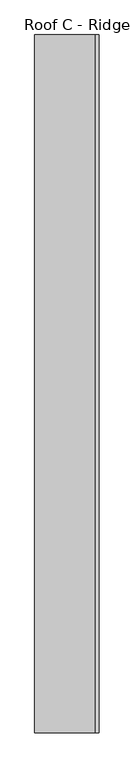
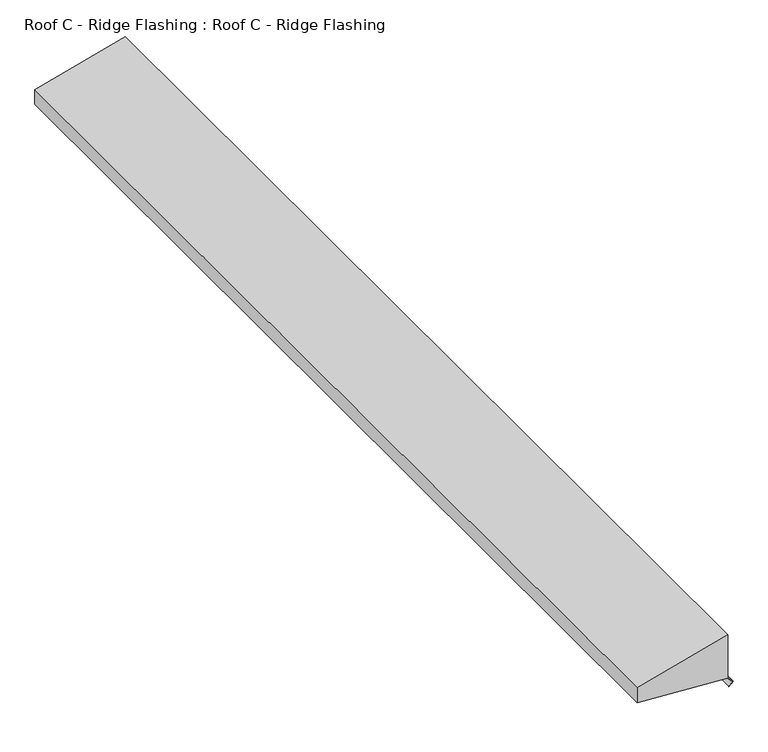
"""IFC4 building model written with IfcOpenShell, lengths in millimetres: proxy geometry, Roof C - Ridge Flashing : Roof C - Ridge Flashing."""

from ifc_helpers import new_model, si_unit, frame, origin, place, context, project, spatial, polyline, outline, extrude, source, transform, mapped, element, save


def roof_c_ridge_flashing_roof_c_ridge_flashing_330534bc(model_context):
    return source(origin(), model_context, "Body", "SweptSolid", [
        extrude(outline(polyline([(3967.9229545, 7331.4081038), (3905.4787487, 7098.363155), (3865.4787487, 7098.363155), (3850.5262936, 7330.4081038), (3836.7983716, 7344.1360259), (3826.8988766, 7334.2365309), (3826.1917698, 7334.9436377), (3836.7983716, 7345.5502394), (3850.9405072, 7331.4081038), (3967.9229545, 7331.4081038)])), frame((0.0, -2764.6928122, 0.0), z_axis=(0.0, 1.0, 0.0), x_axis=(0.0, 0.0, 1.0)), (0.0, 0.0, 1.0), 2685.4270476),
    ])


if __name__ == "__main__":
    model = new_model("IFC4")
    model_context = context("Model", 3, world=origin())
    ifc_project = project(units=[si_unit("LENGTHUNIT", "METRE", prefix="MILLI")], contexts=[model_context])
    site = spatial("IfcSite", under=ifc_project)
    building = spatial("IfcBuilding", under=site)
    placement = place(None, origin())
    roof_c_ridge_flashing_roof_c_ridge_flashing_shape = roof_c_ridge_flashing_roof_c_ridge_flashing_330534bc(model_context)
    element("IfcBuildingElementProxy", 1, Name="Roof C - Ridge Flashing : Roof C - Ridge Flashing", ObjectType="Roof C - Ridge Flashing : Roof C - Ridge Flashing", at=placement, inside=building, context=model_context, shape_type="MappedRepresentation", body=[
        mapped(roof_c_ridge_flashing_roof_c_ridge_flashing_shape, transform((0.0, 0.0, 0.0), x_axis=(1.0, 0.0, 0.0), y_axis=(0.0, 1.0, 0.0), z_axis=(0.0, 0.0, 1.0))),
    ])
    save(model, "model.ifc")
